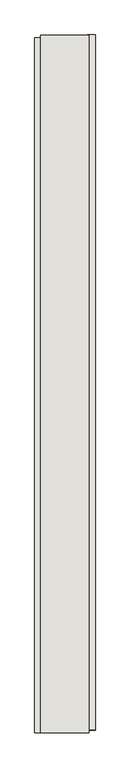
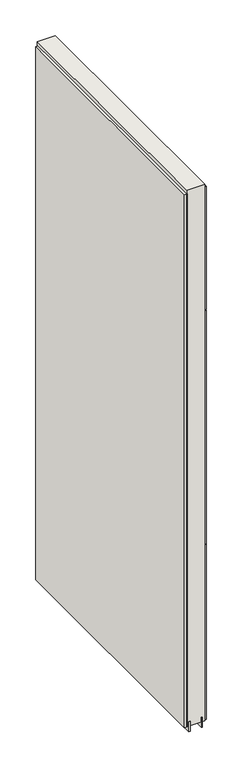
"""IFC4 building model written with IfcOpenShell, lengths in millimetres: wall geometry."""

from ifc_helpers import new_model, si_unit, frame, origin, place, context, project, spatial, polyline, outline, extrude, source, transform, mapped, element, save


def wall_11005a52(model_context):
    return source(origin(), model_context, "Body", "SweptSolid", [
        extrude(outline(polyline([(67339.882211, -41849.632836), (67339.882211, -41852.172836), (67337.342211, -41852.172836), (67337.342211, -41849.632836), (67339.882211, -41849.632836)])), frame((0.0, 0.0, 4419.6), z_axis=(0.0, 0.0, 1.0), x_axis=(1.0, 0.0, 0.0)), (0.0, 0.0, 1.0), 2.54),
        extrude(outline(polyline([(67287.812211, -43018.4965638), (67287.812211, -41854.0965558), (67300.512211, -41854.0965558), (67300.512211, -43018.4965638), (67287.812211, -43018.4965638)])), frame((0.0, 0.0, 4445.0), z_axis=(0.0, 0.0, 1.0), x_axis=(1.0, 0.0, 0.0)), (0.0, 0.0, 1.0), 2545.0498756),
        extrude(outline(polyline([(67389.412211, -41849.166619), (67389.412211, -43013.566627), (67376.712211, -43013.566627), (67376.712211, -41849.166619), (67389.412211, -41849.166619)])), frame((0.0, 0.0, 6402.8000722), z_axis=(0.0, 0.0, 1.0), x_axis=(1.0, 0.0, 0.0)), (0.0, 0.0, 1.0), 587.2498034),
        extrude(outline(polyline([(67389.412211, -41849.166619), (67389.412211, -43013.566627), (67376.712211, -43013.566627), (67376.712211, -41849.166619), (67389.412211, -41849.166619)])), frame((0.0, 0.0, 5285.2000722), z_axis=(0.0, 0.0, 1.0), x_axis=(1.0, 0.0, 0.0)), (0.0, 0.0, 1.0), 1113.5999572),
        extrude(outline(polyline([(67389.412211, -41849.166619), (67389.412211, -43013.566627), (67376.712211, -43013.566627), (67376.712211, -41849.166619), (67389.412211, -41849.166619)])), frame((0.0, 0.0, 4445.0), z_axis=(0.0, 0.0, 1.0), x_axis=(1.0, 0.0, 0.0)), (0.0, 0.0, 1.0), 836.200004),
        extrude(outline(polyline([(67313.5284664, -41849.6253938), (67313.5284664, -43018.0253938), (67308.449711, -43018.0253938), (67308.449711, -41849.6253938), (67313.5284664, -41849.6253938)])), frame((0.0, 0.0, 4418.6602), z_axis=(0.0, 0.0, 1.0), x_axis=(1.0, 0.0, 0.0)), (0.0, 0.0, 1.0), 47.625),
        extrude(outline(polyline([(67313.5284664, -41849.6253938), (67313.5284664, -43018.0253938), (67308.449711, -43018.0253938), (67308.449711, -41849.6253938), (67313.5284664, -41849.6253938)])), frame((0.0, 0.0, 4418.6602), z_axis=(0.0, 0.0, 1.0), x_axis=(1.0, 0.0, 0.0)), (0.0, 0.0, 1.0), 47.625),
        extrude(outline(polyline([(67363.6959556, -43018.0253938), (67363.6959556, -41849.6253938), (67368.774711, -41849.6253938), (67368.774711, -43018.0253938), (67363.6959556, -43018.0253938)])), frame((0.0, 0.0, 4418.6602), z_axis=(0.0, 0.0, 1.0), x_axis=(1.0, 0.0, 0.0)), (0.0, 0.0, 1.0), 47.625),
        extrude(outline(polyline([(67363.6959556, -43018.0253938), (67363.6959556, -41849.6253938), (67368.774711, -41849.6253938), (67368.774711, -43018.0253938), (67363.6959556, -43018.0253938)])), frame((0.0, 0.0, 4418.6602), z_axis=(0.0, 0.0, 1.0), x_axis=(1.0, 0.0, 0.0)), (0.0, 0.0, 1.0), 47.625),
        extrude(outline(polyline([(67297.9573266, -41849.6253938), (67379.2670954, -41849.6253938), (67379.2670954, -43018.0253938), (67297.9573266, -43018.0253938), (67297.9573266, -41849.6253938)])), frame((0.0, 0.0, 4445.0), z_axis=(0.0, 0.0, 1.0), x_axis=(1.0, 0.0, 0.0)), (0.0, 0.0, 1.0), 2562.4536762),
    ])


if __name__ == "__main__":
    model = new_model("IFC4")
    model_context = context("Model", 3, world=origin())
    ifc_project = project(units=[si_unit("LENGTHUNIT", "METRE", prefix="MILLI")], contexts=[model_context])
    site = spatial("IfcSite", under=ifc_project)
    building = spatial("IfcBuilding", under=site)
    placement = place(None, origin())
    wall_shape = wall_11005a52(model_context)
    element("IfcWall", 1, at=placement, inside=building, context=model_context, shape_type="MappedRepresentation", body=[
        mapped(wall_shape, transform((0.0, 0.0, 0.0), x_axis=(1.0, 0.0, 0.0), y_axis=(0.0, 1.0, 0.0), z_axis=(0.0, 0.0, 1.0))),
    ])
    save(model, "model.ifc")
